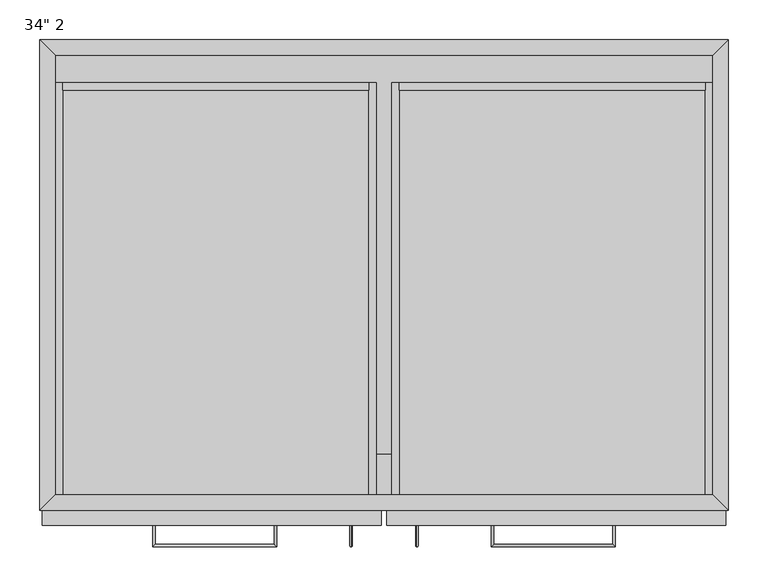
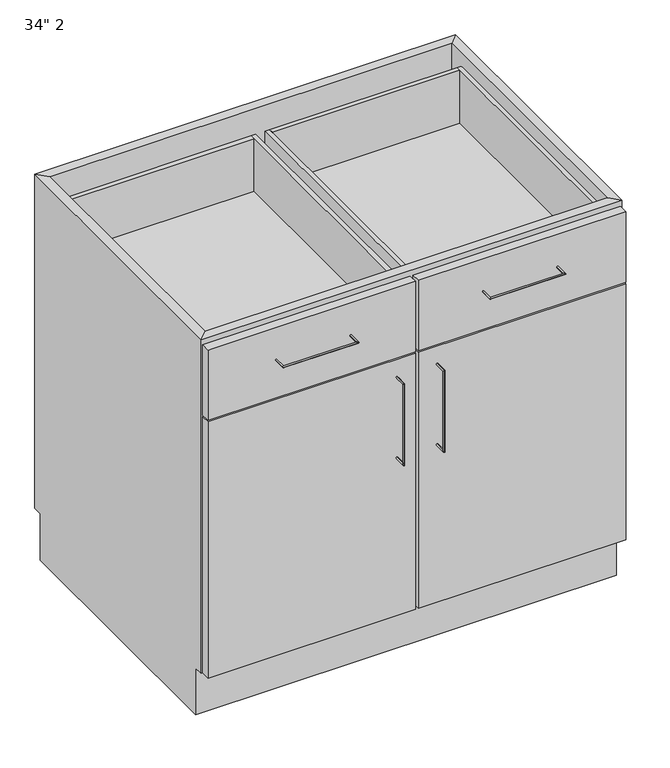
"""IFC4 building model written with IfcOpenShell, lengths in millimetres: furniture geometry."""

import ifcopenshell
import ifcopenshell.guid

model = None  # the IFC model being written
_history = None  # IfcOwnerHistory: only IFC2X3 demands one
_inside = {}  # id of a spatial element -> (the spatial element, [elements in it])
_under = {}  # id of a project, library or spatial element -> (it, [spatial elements below it])
_declared = {}  # id of a project -> (the project, [libraries it declares])
_typed = {}  # id of a type object -> (the type object, [elements of that type])
_made_of = {}  # id of a material, layer set ... -> (it, [elements and type objects made of it])


def new_model(schema):
    """Start an empty IFC model of exactly this schema.

    Asked for "IFC4X3", IfcOpenShell would pick the latest addendum, in which some entities
    have other attributes; the version numbers below select the first issue.
    IFC2X3 requires an IfcOwnerHistory on every rooted entity: one is made here for all.
    """
    global model, _history
    if schema == "IFC4X3":
        model = ifcopenshell.file(schema_version=(4, 3, 0, 0))
    else:
        model = ifcopenshell.file(schema=schema)
    _inside.clear()
    _under.clear()
    _declared.clear()
    _typed.clear()
    _made_of.clear()
    _history = None
    if model.schema == "IFC2X3":
        org = make("IfcOrganization", Name="unknown")
        user = make(
            "IfcPersonAndOrganization",
            ThePerson=make("IfcPerson", FamilyName="unknown"),
            TheOrganization=org,
        )
        app = make(
            "IfcApplication",
            ApplicationDeveloper=org,
            Version="unknown",
            ApplicationFullName="unknown",
            ApplicationIdentifier="unknown",
        )
        _history = make(
            "IfcOwnerHistory",
            OwningUser=user,
            OwningApplication=app,
            ChangeAction="ADDED",
            CreationDate=0,
        )
    return model


def make(cls, **values):
    """One entity of the class cls with the attributes given. An attribute that is None is left unset."""
    return model.create_entity(
        cls, **{name: value for name, value in values.items() if value is not None}
    )


def rooted(cls, **values):
    """An entity with a GlobalId (a new one), such as an element, a storey or a relation."""
    return make(cls, GlobalId=ifcopenshell.guid.new(), OwnerHistory=_history, **values)


def si_unit(unit_type, name, prefix=None):
    """IfcSIUnit, for example si_unit("LENGTHUNIT", "METRE", prefix="MILLI")."""
    return make("IfcSIUnit", UnitType=unit_type, Prefix=prefix, Name=name)


def assignment(units):
    """IfcUnitAssignment: the units of a project."""
    return None if units is None else make("IfcUnitAssignment", Units=units)


def point(xyz):
    """IfcCartesianPoint."""
    return None if xyz is None else make("IfcCartesianPoint", Coordinates=xyz)


def direction(xyz):
    """IfcDirection."""
    return None if xyz is None else make("IfcDirection", DirectionRatios=xyz)


def frame(location, z_axis=None, x_axis=None):
    """IfcAxis2Placement3D, a coordinate frame: its origin and axes. An axis left out is left unset."""
    return make(
        "IfcAxis2Placement3D",
        Location=point(location),
        Axis=direction(z_axis),
        RefDirection=direction(x_axis),
    )


def origin():
    """The frame at (0, 0, 0) with its axes left unset."""
    return frame((0.0, 0.0, 0.0))


def place(relative_to, where):
    """IfcLocalPlacement: puts the frame where relative to a parent placement (None: the world)."""
    return make(
        "IfcLocalPlacement", PlacementRelTo=relative_to, RelativePlacement=where
    )


def context(
    kind, dimensions, precision=None, world=None, true_north=None, identifier=None
):
    """IfcGeometricRepresentationContext, for example the 3D "Model" context."""
    return make(
        "IfcGeometricRepresentationContext",
        ContextIdentifier=identifier,
        ContextType=kind,
        CoordinateSpaceDimension=dimensions,
        Precision=precision,
        WorldCoordinateSystem=world,
        TrueNorth=true_north,
    )


def project(units=None, contexts=None):
    """IfcProject with its units and contexts."""
    return rooted(
        "IfcProject",
        Name="project",
        RepresentationContexts=contexts,
        UnitsInContext=assignment(units),
    )


def spatial(cls, under=None, at=None, **own):
    """A site, building, storey or space (cls), placed at a placement, below another one or the project."""
    s = rooted(cls, ObjectPlacement=at, **own)
    if under is not None:
        _under.setdefault(under.id(), (under, []))[1].append(s)
    return s


def polyline(points):
    """IfcPolyline through the points."""
    return make("IfcPolyline", Points=[point(p) for p in points])


def circle_curve(where, radius):
    """IfcCircle in the frame where."""
    return make("IfcCircle", Position=where, Radius=radius)


def ellipse_curve(where, semi_axis1, semi_axis2):
    """IfcEllipse in the frame where."""
    return make(
        "IfcEllipse", Position=where, SemiAxis1=semi_axis1, SemiAxis2=semi_axis2
    )


def outline(outer, holes=None, kind="AREA"):
    """IfcArbitraryClosedProfileDef: a profile drawn as a closed curve; with holes, ...WithVoids."""
    if holes is None:
        return make("IfcArbitraryClosedProfileDef", ProfileType=kind, OuterCurve=outer)
    return make(
        "IfcArbitraryProfileDefWithVoids",
        ProfileType=kind,
        OuterCurve=outer,
        InnerCurves=holes,
    )


def extrude(swept, where, along, depth):
    """IfcExtrudedAreaSolid: the profile swept, set in the frame where, extruded along a direction by depth."""
    return make(
        "IfcExtrudedAreaSolid",
        SweptArea=swept,
        Position=where,
        ExtrudedDirection=direction(along),
        Depth=depth,
    )


def faces_of(points, faces, orient=None, outer=None):
    """IfcFace entities. A face is a list of loops; a loop is a list of indices into points, from 0.

    orient and outer hold one flag for each loop. By default every Orientation is true, the
    first loop of a face is its IfcFaceOuterBound and the others are IfcFaceBound.
    """
    made = []
    for i, loops in enumerate(faces):
        bounds = []
        for j, loop in enumerate(loops):
            is_outer = j == 0 if outer is None else outer[i][j]
            bounds.append(
                make(
                    "IfcFaceOuterBound" if is_outer else "IfcFaceBound",
                    Bound=make("IfcPolyLoop", Polygon=[points[k] for k in loop]),
                    Orientation=True if orient is None else orient[i][j],
                )
            )
        made.append(make("IfcFace", Bounds=bounds))
    return made


def faceted_brep(points, faces, orient=None, outer=None, voids=None):
    """IfcFacetedBrep: a solid bounded by flat faces; with voids (closed shells), ...WithVoids."""
    shared = [point(p) for p in points]
    hull = make("IfcClosedShell", CfsFaces=faces_of(shared, faces, orient, outer))
    if voids is None:
        return make("IfcFacetedBrep", Outer=hull)
    return make(
        "IfcFacetedBrepWithVoids",
        Outer=hull,
        Voids=[
            make(cls, CfsFaces=faces_of(shared, fs, o, b)) for cls, fs, o, b in voids
        ],
    )


def shape(context_of_items, identifier, shape_type, items):
    """IfcShapeRepresentation: the items that make up one representation, for example the "Body"."""
    return make(
        "IfcShapeRepresentation",
        ContextOfItems=context_of_items,
        RepresentationIdentifier=identifier,
        RepresentationType=shape_type,
        Items=items,
    )


def source(mapping_origin, context_of_items, identifier, shape_type, items):
    """IfcRepresentationMap: a shape defined once, which mapped items show again and again."""
    return make(
        "IfcRepresentationMap",
        MappingOrigin=mapping_origin,
        MappedRepresentation=shape(context_of_items, identifier, shape_type, items),
    )


def transform(
    local_origin,
    x_axis=None,
    y_axis=None,
    z_axis=None,
    scale=None,
    scale2=None,
    scale3=None,
    uniform=True,
):
    """IfcCartesianTransformationOperator3D, or its non-uniform kind. x_axis, y_axis, z_axis: its Axis1, 2, 3."""
    if uniform:
        return make(
            "IfcCartesianTransformationOperator3D",
            Axis1=direction(x_axis),
            Axis2=direction(y_axis),
            LocalOrigin=point(local_origin),
            Scale=scale,
            Axis3=direction(z_axis),
        )
    return make(
        "IfcCartesianTransformationOperator3DnonUniform",
        Axis1=direction(x_axis),
        Axis2=direction(y_axis),
        LocalOrigin=point(local_origin),
        Scale=scale,
        Axis3=direction(z_axis),
        Scale2=scale2,
        Scale3=scale3,
    )


def mapped(mapping_source, mapping_target):
    """IfcMappedItem: shows the shape of a source again, moved by a transform."""
    return make(
        "IfcMappedItem", MappingSource=mapping_source, MappingTarget=mapping_target
    )


def made_of(thing, what):
    """Note that an element or type object is made of a material, layer set ...; save() writes the relation."""
    if what is not None:
        _made_of.setdefault(what.id(), (what, []))[1].append(thing)
    return thing


def element(
    cls,
    number,
    at=None,
    inside=None,
    cuts=None,
    type_object=None,
    material=None,
    context=None,
    identifier="Body",
    shape_type=None,
    held_by="IfcProductDefinitionShape",
    body=None,
    shapes=None,
    **own,
):
    """One element of the class cls, such as IfcWall. Its Tag is "e" and its number.

    at: its placement. inside: the storey or other place that contains it. cuts: it is an
    opening in that element (IfcRelVoidsElement). A single representation is given by context,
    identifier, shape_type and body (its items); several are given by shapes. held_by: the class
    of the entity that holds the representations. save() writes the other relations.
    """
    e = rooted(cls, Tag="e%d" % number, ObjectPlacement=at, **own)
    if body is not None:
        shapes = [shape(context, identifier, shape_type, body)]
    if shapes is not None:
        e.Representation = make(held_by, Representations=shapes)
    if inside is not None:
        _inside.setdefault(inside.id(), (inside, []))[1].append(e)
    if cuts is not None:
        rooted(
            "IfcRelVoidsElement", RelatingBuildingElement=cuts, RelatedOpeningElement=e
        )
    if type_object is not None:
        _typed.setdefault(type_object.id(), (type_object, []))[1].append(e)
    return made_of(e, material)


def aggregate(whole, parts):
    """IfcRelAggregates: a whole, such as a stair, and the parts it consists of."""
    return rooted("IfcRelAggregates", RelatingObject=whole, RelatedObjects=parts)


def save(model, path):
    """Write the relations noted so far, then the file.

    IfcRelAggregates (storeys below a building ...), IfcRelContainedInSpatialStructure (elements
    in a storey), IfcRelDefinesByType, IfcRelAssociatesMaterial and IfcRelDeclares: one each for
    every whole, place, type object, material and project.
    """
    for whole, parts in _under.values():
        aggregate(whole, parts)
    for where, things in _inside.values():
        rooted(
            "IfcRelContainedInSpatialStructure",
            RelatedElements=things,
            RelatingStructure=where,
        )
    for kind, things in _typed.values():
        rooted("IfcRelDefinesByType", RelatedObjects=things, RelatingType=kind)
    for what, things in _made_of.values():
        rooted("IfcRelAssociatesMaterial", RelatedObjects=things, RelatingMaterial=what)
    for by, libraries in _declared.values():
        rooted("IfcRelDeclares", RelatingContext=by, RelatedDefinitions=libraries)
    model.write(path)


def plane_surface(at):
    """IfcPlane: the flat surface through the origin of the frame at, square to its z axis."""
    return make("IfcPlane", Position=at)


def cylinder_surface(at, radius):
    """IfcCylindricalSurface: all points at the distance radius from the z axis of the frame at."""
    return make("IfcCylindricalSurface", Position=at, Radius=radius)


def advanced_brep(points, edges, surfaces, faces):
    """IfcAdvancedBrep: a solid bounded by faces that lie on surfaces and meet in shared edges.

    An edge is (start, end): straight between two places in points (the first is 0);
    or (start, end, curve); or (start, end, curve, False) where it runs against its curve.
    A face is (place in surfaces, loops), or (place, loops, False) where it looks against
    its surface's normal. A loop lists edges by number (the first is 1), with a minus sign
    where the edge is run from its end to its start. The first loop is the outer one.
    """
    corners = [point(p) for p in points]
    vertices = [make("IfcVertexPoint", VertexGeometry=c) for c in corners]
    made = []
    for start, end, *more in edges:
        made.append(
            make(
                "IfcEdgeCurve",
                EdgeStart=vertices[start],
                EdgeEnd=vertices[end],
                EdgeGeometry=more[0] if more else make("IfcPolyline", Points=[corners[start], corners[end]]),
                SameSense=more[1] if len(more) > 1 else True,
            )
        )
    hull = []
    for where, loops, *sense in faces:
        bounds = []
        for j, loop in enumerate(loops):
            ring = [make("IfcOrientedEdge", EdgeElement=made[abs(k) - 1], Orientation=k > 0) for k in loop]
            bounds.append(
                make(
                    "IfcFaceOuterBound" if j == 0 else "IfcFaceBound",
                    Bound=make("IfcEdgeLoop", EdgeList=ring),
                    Orientation=True,
                )
            )
        hull.append(make("IfcAdvancedFace", Bounds=bounds, FaceSurface=surfaces[where], SameSense=sense[0] if sense else True))
    return make("IfcAdvancedBrep", Outer=make("IfcClosedShell", CfsFaces=hull))


def furniture_b4dbcdbf(model_context):
    return source(origin(), model_context, "Body", "SolidModel", [
        extrude(outline(polyline([(-394.0122951, -520.7), (431.4877049, -520.7), (431.4877049, -571.5), (-394.0122951, -571.5), (-394.0122951, -520.7)])), frame((0.0, 0.0, 654.05), z_axis=(0.0, 0.0, 1.0), x_axis=(1.0, 0.0, 0.0)), (0.0, 0.0, 1.0), 19.05),
        extrude(outline(polyline([(431.4877049, -19.05), (431.4877049, -571.5), (-394.0122951, -571.5), (-394.0122951, -19.05), (431.4877049, -19.05)])), frame((0.0, 0.0, 101.6), z_axis=(0.0, 0.0, 1.0), x_axis=(1.0, 0.0, 0.0)), (0.0, 0.0, 1.0), 19.05),
        extrude(outline(polyline([(15.5627049, -609.6), (-409.8872951, -609.6), (-409.8872951, -590.55), (15.5627049, -590.55), (15.5627049, -609.6)])), frame((0.0, 0.0, 660.4), z_axis=(0.0, 0.0, 1.0), x_axis=(1.0, 0.0, 0.0)), (0.0, 0.0, 1.0), 152.4),
        extrude(outline(polyline([(447.3627049, -609.6), (21.9127049, -609.6), (21.9127049, -590.55), (447.3627049, -590.55), (447.3627049, -609.6)])), frame((0.0, 0.0, 660.4), z_axis=(0.0, 0.0, 1.0), x_axis=(1.0, 0.0, 0.0)), (0.0, 0.0, 1.0), 152.4),
        extrude(outline(polyline([(15.5627049, -609.6), (-409.8872951, -609.6), (-409.8872951, -590.55), (15.5627049, -590.55), (15.5627049, -609.6)])), frame((0.0, 0.0, 101.6), z_axis=(0.0, 0.0, 1.0), x_axis=(1.0, 0.0, 0.0)), (0.0, 0.0, 1.0), 555.625),
        extrude(outline(polyline([(447.3627049, -609.6), (21.9127049, -609.6), (21.9127049, -590.55), (447.3627049, -590.55), (447.3627049, -609.6)])), frame((0.0, 0.0, 101.6), z_axis=(0.0, 0.0, 1.0), x_axis=(1.0, 0.0, 0.0)), (0.0, 0.0, 1.0), 555.625),
        advanced_brep(
        [(-118.9787451, -609.6, 742.7699324), (-115.8037451, -609.6, 742.7699324), (-118.9787451, -633.4125, 742.7699324), (-115.8037451, -636.5875, 742.7699324), (-268.2037451, -633.4125, 742.7699324), (-271.3787451, -636.5875, 742.7699324), (-268.2037451, -609.6, 742.7699324), (-271.3787451, -609.6, 742.7699324)],
        [
            (0, 1, circle_curve(frame((-117.3912451, -609.6, 742.7699324), z_axis=(0.0, 1.0, 0.0), x_axis=(1.0, 0.0, 0.0)), 1.5875)),
            (1, 0, circle_curve(frame((-117.3912451, -609.6, 742.7699324), z_axis=(0.0, 1.0, 0.0), x_axis=(1.0, 0.0, 0.0)), 1.5875)),
            (0, 2),
            (2, 3, ellipse_curve(frame((-117.3912451, -635.0, 742.7699324), z_axis=(0.7071067811865475, 0.7071067811865475, 0.0), x_axis=(-0.7071067811865474, 0.7071067811865476, 0.0)), 2.245064, 1.5875)),
            (3, 1),
            (3, 2, ellipse_curve(frame((-117.3912451, -635.0, 742.7699324), z_axis=(0.7071067811865475, 0.7071067811865475, 0.0), x_axis=(-0.7071067811865474, 0.7071067811865476, 0.0)), 2.245064, 1.5875)),
            (2, 4),
            (4, 5, ellipse_curve(frame((-269.7912451, -635.0, 742.7699324), z_axis=(0.7071067811865475, -0.7071067811865475, 0.0), x_axis=(0.7071067811865476, 0.7071067811865474, 0.0)), 2.245064, 1.5875)),
            (5, 3),
            (5, 4, ellipse_curve(frame((-269.7912451, -635.0, 742.7699324), z_axis=(0.7071067811865475, -0.7071067811865475, 0.0), x_axis=(0.7071067811865476, 0.7071067811865474, 0.0)), 2.245064, 1.5875)),
            (6, 7, circle_curve(frame((-269.7912451, -609.6, 742.7699324), z_axis=(0.0, 1.0, 0.0), x_axis=(-1.0, 0.0, 0.0)), 1.5875)),
            (7, 6, circle_curve(frame((-269.7912451, -609.6, 742.7699324), z_axis=(0.0, 1.0, 0.0), x_axis=(-1.0, 0.0, 0.0)), 1.5875)),
            (4, 6),
            (7, 5),
        ],
        [
            plane_surface(frame((-117.3912451, -609.6, 742.7699324), z_axis=(0.0, 1.0, 0.0), x_axis=(0.0, 0.0, 1.0))),
            cylinder_surface(frame((-117.3912451, -609.6, 742.7699324), z_axis=(0.0, 1.0, 0.0), x_axis=(1.0, 0.0, 0.0)), 1.5875),
            cylinder_surface(frame((-117.3912451, -635.0, 742.7699324), z_axis=(1.0, 0.0, 0.0), x_axis=(0.0, -1.0, 0.0)), 1.5875),
            plane_surface(frame((-269.7912451, -609.6, 742.7699324), z_axis=(0.0, 1.0, 0.0), x_axis=(0.0, 0.0, 1.0))),
            cylinder_surface(frame((-269.7912451, -635.0, 742.7699324), z_axis=(0.0, -1.0, 0.0), x_axis=(-1.0, 0.0, 0.0)), 1.5875),
        ],
        [
            (0, [[1, 2]]),
            (1, [[-1, 3, 4, 5]]),
            (1, [[-2, -5, 6, -3]]),
            (2, [[-4, 7, 8, 9]]),
            (2, [[-6, -9, 10, -7]]),
            (3, [[11, 12]]),
            (4, [[-8, 13, -12, 14]]),
            (4, [[-10, -14, -11, -13]]),
        ],
    ),
        advanced_brep(
        [(153.2791549, -609.6, 742.7699324), (156.4541549, -609.6, 742.7699324), (153.2791549, -636.5875, 742.7699324), (156.4541549, -633.4125, 742.7699324), (308.8541549, -636.5875, 742.7699324), (305.6791549, -633.4125, 742.7699324), (308.8541549, -609.6, 742.7699324), (305.6791549, -609.6, 742.7699324)],
        [
            (0, 1, circle_curve(frame((154.8666549, -609.6, 742.7699324), z_axis=(0.0, 1.0, 0.0), x_axis=(1.0, 0.0, 0.0)), 1.5875)),
            (1, 0, circle_curve(frame((154.8666549, -609.6, 742.7699324), z_axis=(0.0, 1.0, 0.0), x_axis=(1.0, 0.0, 0.0)), 1.5875)),
            (0, 2),
            (2, 3, ellipse_curve(frame((154.8666549, -635.0, 742.7699324), z_axis=(-0.7071067811865475, 0.7071067811865475, 0.0), x_axis=(0.7071067811865474, 0.7071067811865476, 0.0)), 2.245064, 1.5875)),
            (3, 1),
            (3, 2, ellipse_curve(frame((154.8666549, -635.0, 742.7699324), z_axis=(-0.7071067811865475, 0.7071067811865475, 0.0), x_axis=(0.7071067811865474, 0.7071067811865476, 0.0)), 2.245064, 1.5875)),
            (2, 4),
            (4, 5, ellipse_curve(frame((307.2666549, -635.0, 742.7699324), z_axis=(-0.7071067811865475, -0.7071067811865475, 0.0), x_axis=(-0.7071067811865476, 0.7071067811865474, 0.0)), 2.245064, 1.5875)),
            (5, 3),
            (5, 4, ellipse_curve(frame((307.2666549, -635.0, 742.7699324), z_axis=(-0.7071067811865475, -0.7071067811865475, 0.0), x_axis=(-0.7071067811865476, 0.7071067811865474, 0.0)), 2.245064, 1.5875)),
            (6, 7, circle_curve(frame((307.2666549, -609.6, 742.7699324), z_axis=(0.0, 1.0, 0.0), x_axis=(-1.0, 0.0, 0.0)), 1.5875)),
            (7, 6, circle_curve(frame((307.2666549, -609.6, 742.7699324), z_axis=(0.0, 1.0, 0.0), x_axis=(-1.0, 0.0, 0.0)), 1.5875)),
            (4, 6),
            (7, 5),
        ],
        [
            plane_surface(frame((154.8666549, -609.6, 742.7699324), z_axis=(0.0, 1.0, 0.0), x_axis=(0.0, 0.0, 1.0))),
            cylinder_surface(frame((154.8666549, -609.6, 742.7699324), z_axis=(0.0, 1.0, 0.0), x_axis=(1.0, 0.0, 0.0)), 1.5875),
            cylinder_surface(frame((154.8666549, -635.0, 742.7699324), z_axis=(-1.0, 0.0, 0.0), x_axis=(0.0, 1.0, 0.0)), 1.5875),
            plane_surface(frame((307.2666549, -609.6, 742.7699324), z_axis=(0.0, 1.0, 0.0), x_axis=(0.0, 0.0, 1.0))),
            cylinder_surface(frame((307.2666549, -635.0, 742.7699324), z_axis=(0.0, -1.0, 0.0), x_axis=(-1.0, 0.0, 0.0)), 1.5875),
        ],
        [
            (0, [[1, 2]]),
            (1, [[-1, 3, 4, 5]]),
            (1, [[-2, -5, 6, -3]]),
            (2, [[-4, 7, 8, 9]]),
            (2, [[-6, -9, 10, -7]]),
            (3, [[11, 12]]),
            (4, [[-8, 13, -12, 14]]),
            (4, [[-10, -14, -11, -13]]),
        ],
    ),
        advanced_brep(
        [(-22.5139911, -609.6, 617.5375), (-22.5139911, -609.6, 620.7125), (-22.5139911, -633.4125, 617.5375), (-22.5139911, -636.5875, 620.7125), (-22.5139911, -633.4125, 446.0875), (-22.5139911, -636.5875, 442.9125), (-22.5139911, -609.6, 446.0875), (-22.5139911, -609.6, 442.9125)],
        [
            (0, 1, circle_curve(frame((-22.5139911, -609.6, 619.125), z_axis=(0.0, 1.0, 0.0), x_axis=(0.0, 0.0, 1.0)), 1.5875)),
            (1, 0, circle_curve(frame((-22.5139911, -609.6, 619.125), z_axis=(0.0, 1.0, 0.0), x_axis=(0.0, 0.0, 1.0)), 1.5875)),
            (0, 2),
            (2, 3, ellipse_curve(frame((-22.5139911, -635.0, 619.125), z_axis=(0.0, 0.7071067811865475, 0.7071067811865475), x_axis=(0.0, 0.7071067811865476, -0.7071067811865474)), 2.245064, 1.5875)),
            (3, 1),
            (3, 2, ellipse_curve(frame((-22.5139911, -635.0, 619.125), z_axis=(0.0, 0.7071067811865475, 0.7071067811865475), x_axis=(0.0, 0.7071067811865476, -0.7071067811865474)), 2.245064, 1.5875)),
            (2, 4),
            (4, 5, ellipse_curve(frame((-22.5139911, -635.0, 444.5), z_axis=(0.0, -0.7071067811865475, 0.7071067811865475), x_axis=(0.0, 0.7071067811865474, 0.7071067811865476)), 2.245064, 1.5875)),
            (5, 3),
            (5, 4, ellipse_curve(frame((-22.5139911, -635.0, 444.5), z_axis=(0.0, -0.7071067811865475, 0.7071067811865475), x_axis=(0.0, 0.7071067811865474, 0.7071067811865476)), 2.245064, 1.5875)),
            (6, 7, circle_curve(frame((-22.5139911, -609.6, 444.5), z_axis=(0.0, 1.0, 0.0), x_axis=(0.0, 0.0, -1.0)), 1.5875)),
            (7, 6, circle_curve(frame((-22.5139911, -609.6, 444.5), z_axis=(0.0, 1.0, 0.0), x_axis=(0.0, 0.0, -1.0)), 1.5875)),
            (4, 6),
            (7, 5),
        ],
        [
            plane_surface(frame((-22.5139911, -609.6, 619.125), z_axis=(0.0, 1.0, 0.0), x_axis=(-1.0, 0.0, 0.0))),
            cylinder_surface(frame((-22.5139911, -609.6, 619.125), z_axis=(0.0, 1.0, 0.0), x_axis=(0.0, 0.0, 1.0)), 1.5875),
            cylinder_surface(frame((-22.5139911, -635.0, 619.125), z_axis=(0.0, 0.0, 1.0), x_axis=(0.0, -1.0, 0.0)), 1.5875),
            plane_surface(frame((-22.5139911, -609.6, 444.5), z_axis=(0.0, 1.0, 0.0), x_axis=(-1.0, 0.0, 0.0))),
            cylinder_surface(frame((-22.5139911, -635.0, 444.5), z_axis=(0.0, -1.0, 0.0), x_axis=(0.0, 0.0, -1.0)), 1.5875),
        ],
        [
            (0, [[1, 2]]),
            (1, [[-1, 3, 4, 5]]),
            (1, [[-2, -5, 6, -3]]),
            (2, [[-4, 7, 8, 9]]),
            (2, [[-6, -9, 10, -7]]),
            (3, [[11, 12]]),
            (4, [[-8, 13, -12, 14]]),
            (4, [[-10, -14, -11, -13]]),
        ],
    ),
        advanced_brep(
        [(59.9894009, -609.6, 620.7125), (59.9894009, -609.6, 617.5375), (59.9894009, -636.5875, 620.7125), (59.9894009, -633.4125, 617.5375), (59.9894009, -636.5875, 442.9125), (59.9894009, -633.4125, 446.0875), (59.9894009, -609.6, 442.9125), (59.9894009, -609.6, 446.0875)],
        [
            (0, 1, circle_curve(frame((59.9894009, -609.6, 619.125), z_axis=(0.0, 1.0, 0.0), x_axis=(0.0, 0.0, -1.0)), 1.5875)),
            (1, 0, circle_curve(frame((59.9894009, -609.6, 619.125), z_axis=(0.0, 1.0, 0.0), x_axis=(0.0, 0.0, -1.0)), 1.5875)),
            (0, 2),
            (2, 3, ellipse_curve(frame((59.9894009, -635.0, 619.125), z_axis=(0.0, 0.7071067811865475, 0.7071067811865475), x_axis=(0.0, 0.7071067811865476, -0.7071067811865474)), 2.245064, 1.5875)),
            (3, 1),
            (3, 2, ellipse_curve(frame((59.9894009, -635.0, 619.125), z_axis=(0.0, 0.7071067811865475, 0.7071067811865475), x_axis=(0.0, 0.7071067811865476, -0.7071067811865474)), 2.245064, 1.5875)),
            (2, 4),
            (4, 5, ellipse_curve(frame((59.9894009, -635.0, 444.5), z_axis=(0.0, -0.7071067811865475, 0.7071067811865475), x_axis=(0.0, 0.7071067811865474, 0.7071067811865476)), 2.245064, 1.5875)),
            (5, 3),
            (5, 4, ellipse_curve(frame((59.9894009, -635.0, 444.5), z_axis=(0.0, -0.7071067811865475, 0.7071067811865475), x_axis=(0.0, 0.7071067811865474, 0.7071067811865476)), 2.245064, 1.5875)),
            (6, 7, circle_curve(frame((59.9894009, -609.6, 444.5), z_axis=(0.0, 1.0, 0.0), x_axis=(0.0, 0.0, 1.0)), 1.5875)),
            (7, 6, circle_curve(frame((59.9894009, -609.6, 444.5), z_axis=(0.0, 1.0, 0.0), x_axis=(0.0, 0.0, 1.0)), 1.5875)),
            (4, 6),
            (7, 5),
        ],
        [
            plane_surface(frame((59.9894009, -609.6, 619.125), z_axis=(0.0, 1.0, 0.0), x_axis=(1.0, 0.0, 0.0))),
            cylinder_surface(frame((59.9894009, -609.6, 619.125), z_axis=(0.0, 1.0, 0.0), x_axis=(0.0, 0.0, -1.0)), 1.5875),
            cylinder_surface(frame((59.9894009, -635.0, 619.125), z_axis=(0.0, 0.0, 1.0), x_axis=(0.0, 1.0, 0.0)), 1.5875),
            plane_surface(frame((59.9894009, -609.6, 444.5), z_axis=(0.0, 1.0, 0.0), x_axis=(1.0, 0.0, 0.0))),
            cylinder_surface(frame((59.9894009, -635.0, 444.5), z_axis=(0.0, -1.0, 0.0), x_axis=(0.0, 0.0, 1.0)), 1.5875),
        ],
        [
            (0, [[1, 2]]),
            (1, [[-1, 3, 4, 5]]),
            (1, [[-2, -5, 6, -3]]),
            (2, [[-4, 7, 8, 9]]),
            (2, [[-6, -9, 10, -7]]),
            (3, [[11, 12]]),
            (4, [[-8, 13, -12, 14]]),
            (4, [[-10, -14, -11, -13]]),
        ],
    ),
        faceted_brep([(431.4877049, -571.5, 101.6), (-394.0122951, -571.5, 101.6), (-394.0122951, -571.5, 120.65), (9.2127049, -571.5, 120.65), (9.2127049, -571.5, 650.875), (-394.0122951, -571.5, 650.875), (-394.0122951, -571.5, 666.75), (9.2127049, -571.5, 666.75), (9.2127049, -571.5, 806.45), (-394.0122951, -571.5, 806.45), (-394.0122951, -571.5, 825.5), (431.4877049, -571.5, 825.5), (431.4877049, -571.5, 806.45), (28.2627049, -571.5, 806.45), (28.2627049, -571.5, 666.75), (431.4877049, -571.5, 666.75), (431.4877049, -571.5, 650.875), (28.2627049, -571.5, 650.875), (28.2627049, -571.5, 120.65), (431.4877049, -571.5, 120.65), (-413.0622951, -590.55, 825.5), (450.5377049, -590.55, 825.5), (-413.0622951, -590.55, 101.6), (450.5377049, -590.55, 101.6), (28.2627049, -590.55, 666.75), (28.2627049, -590.55, 806.45), (431.4877049, -590.55, 806.45), (431.4877049, -590.55, 666.75), (-394.0122951, -590.55, 666.75), (-394.0122951, -590.55, 806.45), (9.2127049, -590.55, 806.45), (9.2127049, -590.55, 666.75), (28.2627049, -590.55, 120.65), (28.2627049, -590.55, 650.875), (431.4877049, -590.55, 650.875), (431.4877049, -590.55, 120.65), (-394.0122951, -590.55, 120.65), (-394.0122951, -590.55, 650.875), (9.2127049, -590.55, 650.875), (9.2127049, -590.55, 120.65), (-394.0122951, -19.05, 101.6), (-394.0122951, -19.05, 825.5), (-413.0622951, 0.0, 825.5), (-413.0622951, 0.0, 101.6), (-413.0622951, -19.05, 101.6), (-413.0622951, -19.05, 0.0), (-413.0622951, -571.5, 0.0), (-413.0622951, -571.5, 101.6), (431.4877049, -19.05, 101.6), (431.4877049, -19.05, 825.5), (450.5377049, 0.0, 825.5), (450.5377049, 0.0, 101.6), (450.5377049, -571.5, 101.6), (450.5377049, -571.5, 0.0), (450.5377049, -19.05, 0.0), (450.5377049, -19.05, 101.6)], [[[0, 1, 2, 3, 4, 5, 6, 7, 8, 9, 10, 11, 12, 13, 14, 15, 16, 17, 18, 19]], [[11, 10, 20, 21]], [[21, 20, 22, 23], [24, 25, 26, 27], [28, 29, 30, 31], [32, 33, 34, 35], [36, 37, 38, 39]], [[1, 0, 23, 22]], [[40, 41, 10, 9, 29, 28, 6, 5, 37, 36, 2, 1]], [[20, 10, 41, 42]], [[22, 20, 42, 43, 44, 45, 46, 47]], [[1, 22, 47]], [[43, 40, 44]], [[41, 40, 48, 49]], [[42, 41, 49, 50]], [[43, 42, 50, 51]], [[40, 43, 51, 48]], [[49, 48, 0, 19, 35, 34, 16, 15, 27, 26, 12, 11]], [[11, 21, 50, 49]], [[21, 23, 52, 53, 54, 55, 51, 50]], [[23, 0, 52]], [[48, 51, 55]], [[1, 0, 48, 40]], [[54, 53, 46, 45]], [[54, 45, 44, 40, 48, 55]], [[46, 53, 52, 0, 1, 47]], [[24, 14, 13, 25]], [[14, 24, 27, 15]], [[25, 13, 12, 26]], [[6, 28, 31, 7]], [[7, 31, 30, 8]], [[29, 9, 8, 30]], [[32, 18, 17, 33]], [[18, 32, 35, 19]], [[33, 17, 16, 34]], [[2, 36, 39, 3]], [[3, 39, 38, 4]], [[37, 5, 4, 38]]]),
        extrude(outline(polyline([(431.4877049, -19.05), (431.4877049, -587.375), (-394.0122951, -587.375), (-394.0122951, -19.05), (431.4877049, -19.05)])), frame((0.0, 0.0, 477.8037229), z_axis=(0.0, 0.0, 1.0), x_axis=(1.0, 0.0, 0.0)), (0.0, 0.0, 1.0), 19.05),
        extrude(outline(polyline([(431.4877049, -19.05), (431.4877049, -587.375), (-394.0122951, -587.375), (-394.0122951, -19.05), (431.4877049, -19.05)])), frame((0.0, 0.0, 300.0037229), z_axis=(0.0, 0.0, 1.0), x_axis=(1.0, 0.0, 0.0)), (0.0, 0.0, 1.0), 19.05),
        extrude(outline(polyline([(421.9627049, -53.975), (421.9627049, -63.5), (37.7877049, -63.5), (37.7877049, -53.975), (421.9627049, -53.975)])), frame((0.0, 0.0, 682.625), z_axis=(0.0, 0.0, 1.0), x_axis=(1.0, 0.0, 0.0)), (0.0, 0.0, 1.0), 114.3),
        extrude(outline(polyline([(-0.3122951, -53.975), (-0.3122951, -63.5), (-384.4872951, -63.5), (-384.4872951, -53.975), (-0.3122951, -53.975)])), frame((0.0, 0.0, 682.625), z_axis=(0.0, 0.0, 1.0), x_axis=(1.0, 0.0, 0.0)), (0.0, 0.0, 1.0), 114.3),
        extrude(outline(polyline([(673.1, 28.2627049), (673.1, 431.4877049), (796.925, 431.4877049), (796.925, 421.9627049), (682.625, 421.9627049), (682.625, 37.7877049), (796.925, 37.7877049), (796.925, 28.2627049), (673.1, 28.2627049)])), frame((0.0, -590.55, 0.0), z_axis=(0.0, 1.0, 0.0), x_axis=(0.0, 0.0, 1.0)), (0.0, 0.0, 1.0), 536.575),
        extrude(outline(polyline([(673.1, -394.0122951), (673.1, 9.2127049), (796.925, 9.2127049), (796.925, -0.3122951), (682.625, -0.3122951), (682.625, -384.4872951), (796.925, -384.4872951), (796.925, -394.0122951), (673.1, -394.0122951)])), frame((0.0, -590.55, 0.0), z_axis=(0.0, 1.0, 0.0), x_axis=(0.0, 0.0, 1.0)), (0.0, 0.0, 1.0), 536.575),
    ])


if __name__ == "__main__":
    model = new_model("IFC4")
    model_context = context("Model", 3, world=origin())
    ifc_project = project(units=[si_unit("LENGTHUNIT", "METRE", prefix="MILLI")], contexts=[model_context])
    site = spatial("IfcSite", under=ifc_project)
    building = spatial("IfcBuilding", under=site)
    placement = place(None, origin())
    furniture_shape = furniture_b4dbcdbf(model_context)
    element("IfcFurniture", 1, ObjectType="34\" 2", at=placement, inside=building, context=model_context, shape_type="MappedRepresentation", body=[
        mapped(furniture_shape, transform((0.0, 0.0, 0.0), x_axis=(1.0, 0.0, 0.0), y_axis=(0.0, 1.0, 0.0), z_axis=(0.0, 0.0, 1.0))),
    ])
    save(model, "model.ifc")
